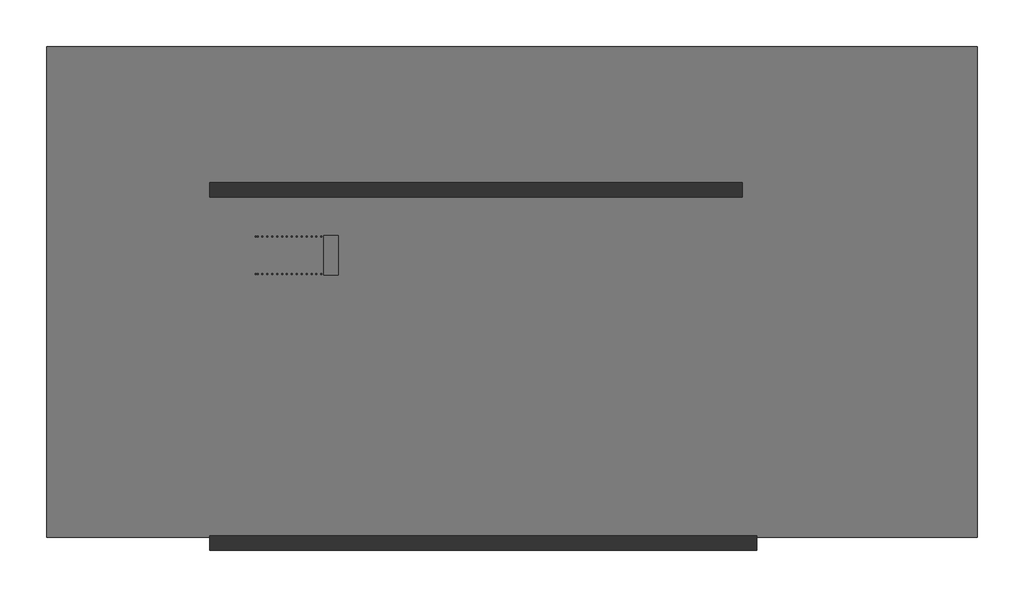
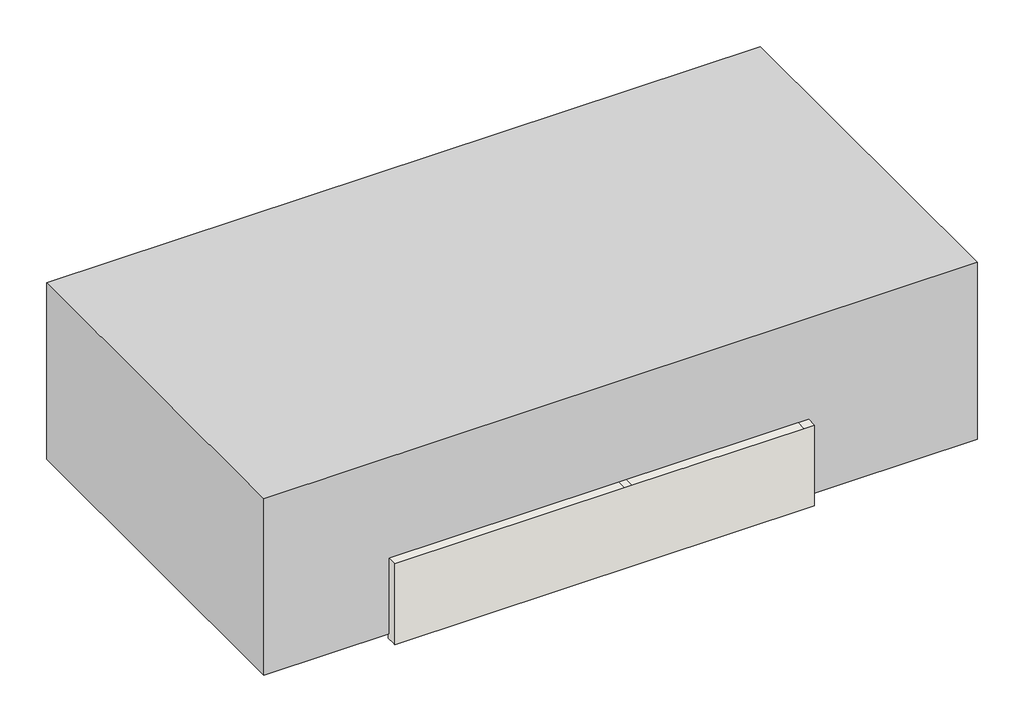
# One storey: 2 railings, 2 walls, 1 proxy, 1 slab, 1 stair flight.
"""IFC4 building model written with IfcOpenShell, lengths in millimetres."""

from ifc_helpers import new_model, si_unit, frame, origin, origin_with_axes, place, context, project, spatial, polyline, outline, extrude, faceted_brep, element, save

model = new_model("IFC4")

# Units and contexts
model_context = context("Model", 3, world=origin())
ifc_project = project(units=[si_unit("LENGTHUNIT", "METRE", prefix="MILLI")], contexts=[model_context])

# Site, building, storey
site = spatial("IfcSite", under=ifc_project)
building = spatial("IfcBuilding", under=site)
storey = spatial("IfcBuildingStorey", under=building, Elevation=0.0)

# Proxy
placement = place(None, origin())
element("IfcBuildingElementProxy", 1, Name="Mass 1 : Mass 1", ObjectType="Mass 1 : Mass 1", at=placement, inside=storey, context=model_context, shape_type="SweptSolid", body=[
    extrude(outline(polyline([(15350.0, 3000.0), (-8350.0, 3000.0), (-8350.0, 15500.0), (15350.0, 15500.0), (15350.0, 3000.0)])), origin_with_axes(), (0.0, 0.0, 1.0), 6200.0),
])

# Railings
element("IfcRailing", 2, ObjectType="1100mm", at=placement, inside=storey, context=model_context, shape_type="SweptSolid", body=[
    extrude(outline(polyline([(1263.1578947, -3041.5388296), (1203.4517816, -3041.5388296), (4140.2938869, 1458.4611704), (4200.0, 1458.4611704), (1263.1578947, -3041.5388296)])), frame((0.0, 9677.9821587, 0.0), z_axis=(0.0, 1.0, 0.0), x_axis=(0.0, 0.0, 1.0)), (0.0, 0.0, 1.0), 50.0),
    extrude(outline(polyline([(4091.3465185, 1383.4611704), (2936.8421053, 1383.4611704), (2936.8421053, 1408.4611704), (4107.6623079, 1408.4611704), (4091.3465185, 1383.4611704)])), frame((0.0, 9690.4821587, 0.0), z_axis=(0.0, 1.0, 0.0), x_axis=(0.0, 0.0, 1.0)), (0.0, 0.0, 1.0), 25.0),
    extrude(outline(polyline([(4009.7675711, 1258.4611704), (2936.8421053, 1258.4611704), (2936.8421053, 1283.4611704), (4026.0833606, 1283.4611704), (4009.7675711, 1258.4611704)])), frame((0.0, 9690.4821587, 0.0), z_axis=(0.0, 1.0, 0.0), x_axis=(0.0, 0.0, 1.0)), (0.0, 0.0, 1.0), 25.0),
    extrude(outline(polyline([(3928.1886237, 1133.4611704), (2773.6842105, 1133.4611704), (2773.6842105, 1158.4611704), (3944.5044132, 1158.4611704), (3928.1886237, 1133.4611704)])), frame((0.0, 9690.4821587, 0.0), z_axis=(0.0, 1.0, 0.0), x_axis=(0.0, 0.0, 1.0)), (0.0, 0.0, 1.0), 25.0),
    extrude(outline(polyline([(3846.6096763, 1008.4611704), (2773.6842105, 1008.4611704), (2773.6842105, 1033.4611704), (3862.9254658, 1033.4611704), (3846.6096763, 1008.4611704)])), frame((0.0, 9690.4821587, 0.0), z_axis=(0.0, 1.0, 0.0), x_axis=(0.0, 0.0, 1.0)), (0.0, 0.0, 1.0), 25.0),
    extrude(outline(polyline([(3765.030729, 883.4611704), (2610.5263158, 883.4611704), (2610.5263158, 908.4611704), (3781.3465185, 908.4611704), (3765.030729, 883.4611704)])), frame((0.0, 9690.4821587, 0.0), z_axis=(0.0, 1.0, 0.0), x_axis=(0.0, 0.0, 1.0)), (0.0, 0.0, 1.0), 25.0),
    extrude(outline(polyline([(3683.4517816, 758.4611704), (2610.5263158, 758.4611704), (2610.5263158, 783.4611704), (3699.7675711, 783.4611704), (3683.4517816, 758.4611704)])), frame((0.0, 9690.4821587, 0.0), z_axis=(0.0, 1.0, 0.0), x_axis=(0.0, 0.0, 1.0)), (0.0, 0.0, 1.0), 25.0),
    extrude(outline(polyline([(3601.8728342, 633.4611704), (2447.3684211, 633.4611704), (2447.3684211, 658.4611704), (3618.1886237, 658.4611704), (3601.8728342, 633.4611704)])), frame((0.0, 9690.4821587, 0.0), z_axis=(0.0, 1.0, 0.0), x_axis=(0.0, 0.0, 1.0)), (0.0, 0.0, 1.0), 25.0),
    extrude(outline(polyline([(3520.2938869, 508.4611704), (2447.3684211, 508.4611704), (2447.3684211, 533.4611704), (3536.6096763, 533.4611704), (3520.2938869, 508.4611704)])), frame((0.0, 9690.4821587, 0.0), z_axis=(0.0, 1.0, 0.0), x_axis=(0.0, 0.0, 1.0)), (0.0, 0.0, 1.0), 25.0),
    extrude(outline(polyline([(3438.7149395, 383.4611704), (2284.2105263, 383.4611704), (2284.2105263, 408.4611704), (3455.030729, 408.4611704), (3438.7149395, 383.4611704)])), frame((0.0, 9690.4821587, 0.0), z_axis=(0.0, 1.0, 0.0), x_axis=(0.0, 0.0, 1.0)), (0.0, 0.0, 1.0), 25.0),
    extrude(outline(polyline([(3357.1359921, 258.4611704), (2284.2105263, 258.4611704), (2284.2105263, 283.4611704), (3373.4517816, 283.4611704), (3357.1359921, 258.4611704)])), frame((0.0, 9690.4821587, 0.0), z_axis=(0.0, 1.0, 0.0), x_axis=(0.0, 0.0, 1.0)), (0.0, 0.0, 1.0), 25.0),
    extrude(outline(polyline([(3275.5570448, 133.4611704), (2121.0526316, 133.4611704), (2121.0526316, 158.4611704), (3291.8728342, 158.4611704), (3275.5570448, 133.4611704)])), frame((0.0, 9690.4821587, 0.0), z_axis=(0.0, 1.0, 0.0), x_axis=(0.0, 0.0, 1.0)), (0.0, 0.0, 1.0), 25.0),
    extrude(outline(polyline([(3193.9780974, 8.4611704), (2121.0526316, 8.4611704), (2121.0526316, 33.4611704), (3210.2938869, 33.4611704), (3193.9780974, 8.4611704)])), frame((0.0, 9690.4821587, 0.0), z_axis=(0.0, 1.0, 0.0), x_axis=(0.0, 0.0, 1.0)), (0.0, 0.0, 1.0), 25.0),
    extrude(outline(polyline([(3112.39915, -116.5388296), (1957.8947368, -116.5388296), (1957.8947368, -91.5388296), (3128.7149395, -91.5388296), (3112.39915, -116.5388296)])), frame((0.0, 9690.4821587, 0.0), z_axis=(0.0, 1.0, 0.0), x_axis=(0.0, 0.0, 1.0)), (0.0, 0.0, 1.0), 25.0),
    extrude(outline(polyline([(3030.8202027, -241.5388296), (1957.8947368, -241.5388296), (1957.8947368, -216.5388296), (3047.1359921, -216.5388296), (3030.8202027, -241.5388296)])), frame((0.0, 9690.4821587, 0.0), z_axis=(0.0, 1.0, 0.0), x_axis=(0.0, 0.0, 1.0)), (0.0, 0.0, 1.0), 25.0),
    extrude(outline(polyline([(2949.2412553, -366.5388296), (1794.7368421, -366.5388296), (1794.7368421, -341.5388296), (2965.5570448, -341.5388296), (2949.2412553, -366.5388296)])), frame((0.0, 9690.4821587, 0.0), z_axis=(0.0, 1.0, 0.0), x_axis=(0.0, 0.0, 1.0)), (0.0, 0.0, 1.0), 25.0),
    extrude(outline(polyline([(2867.6623079, -491.5388296), (1794.7368421, -491.5388296), (1794.7368421, -466.5388296), (2883.9780974, -466.5388296), (2867.6623079, -491.5388296)])), frame((0.0, 9690.4821587, 0.0), z_axis=(0.0, 1.0, 0.0), x_axis=(0.0, 0.0, 1.0)), (0.0, 0.0, 1.0), 25.0),
    extrude(outline(polyline([(2786.0833606, -616.5388296), (1631.5789474, -616.5388296), (1631.5789474, -591.5388296), (2802.39915, -591.5388296), (2786.0833606, -616.5388296)])), frame((0.0, 9690.4821587, 0.0), z_axis=(0.0, 1.0, 0.0), x_axis=(0.0, 0.0, 1.0)), (0.0, 0.0, 1.0), 25.0),
    extrude(outline(polyline([(2704.5044132, -741.5388296), (1631.5789474, -741.5388296), (1631.5789474, -716.5388296), (2720.8202027, -716.5388296), (2704.5044132, -741.5388296)])), frame((0.0, 9690.4821587, 0.0), z_axis=(0.0, 1.0, 0.0), x_axis=(0.0, 0.0, 1.0)), (0.0, 0.0, 1.0), 25.0),
    extrude(outline(polyline([(2622.9254658, -866.5388296), (1468.4210526, -866.5388296), (1468.4210526, -841.5388296), (2639.2412553, -841.5388296), (2622.9254658, -866.5388296)])), frame((0.0, 9690.4821587, 0.0), z_axis=(0.0, 1.0, 0.0), x_axis=(0.0, 0.0, 1.0)), (0.0, 0.0, 1.0), 25.0),
    extrude(outline(polyline([(2541.3465185, -991.5388296), (1468.4210526, -991.5388296), (1468.4210526, -966.5388296), (2557.6623079, -966.5388296), (2541.3465185, -991.5388296)])), frame((0.0, 9690.4821587, 0.0), z_axis=(0.0, 1.0, 0.0), x_axis=(0.0, 0.0, 1.0)), (0.0, 0.0, 1.0), 25.0),
    extrude(outline(polyline([(2459.7675711, -1116.5388296), (1305.2631579, -1116.5388296), (1305.2631579, -1091.5388296), (2476.0833606, -1091.5388296), (2459.7675711, -1116.5388296)])), frame((0.0, 9690.4821587, 0.0), z_axis=(0.0, 1.0, 0.0), x_axis=(0.0, 0.0, 1.0)), (0.0, 0.0, 1.0), 25.0),
    extrude(outline(polyline([(2378.1886237, -1241.5388296), (1305.2631579, -1241.5388296), (1305.2631579, -1216.5388296), (2394.5044132, -1216.5388296), (2378.1886237, -1241.5388296)])), frame((0.0, 9690.4821587, 0.0), z_axis=(0.0, 1.0, 0.0), x_axis=(0.0, 0.0, 1.0)), (0.0, 0.0, 1.0), 25.0),
    extrude(outline(polyline([(2296.6096763, -1366.5388296), (1142.1052632, -1366.5388296), (1142.1052632, -1341.5388296), (2312.9254658, -1341.5388296), (2296.6096763, -1366.5388296)])), frame((0.0, 9690.4821587, 0.0), z_axis=(0.0, 1.0, 0.0), x_axis=(0.0, 0.0, 1.0)), (0.0, 0.0, 1.0), 25.0),
    extrude(outline(polyline([(2215.030729, -1491.5388296), (1142.1052632, -1491.5388296), (1142.1052632, -1466.5388296), (2231.3465185, -1466.5388296), (2215.030729, -1491.5388296)])), frame((0.0, 9690.4821587, 0.0), z_axis=(0.0, 1.0, 0.0), x_axis=(0.0, 0.0, 1.0)), (0.0, 0.0, 1.0), 25.0),
    extrude(outline(polyline([(2133.4517816, -1616.5388296), (978.9473684, -1616.5388296), (978.9473684, -1591.5388296), (2149.7675711, -1591.5388296), (2133.4517816, -1616.5388296)])), frame((0.0, 9690.4821587, 0.0), z_axis=(0.0, 1.0, 0.0), x_axis=(0.0, 0.0, 1.0)), (0.0, 0.0, 1.0), 25.0),
    extrude(outline(polyline([(2051.8728342, -1741.5388296), (978.9473684, -1741.5388296), (978.9473684, -1716.5388296), (2068.1886237, -1716.5388296), (2051.8728342, -1741.5388296)])), frame((0.0, 9690.4821587, 0.0), z_axis=(0.0, 1.0, 0.0), x_axis=(0.0, 0.0, 1.0)), (0.0, 0.0, 1.0), 25.0),
    extrude(outline(polyline([(1970.2938869, -1866.5388296), (815.7894737, -1866.5388296), (815.7894737, -1841.5388296), (1986.6096763, -1841.5388296), (1970.2938869, -1866.5388296)])), frame((0.0, 9690.4821587, 0.0), z_axis=(0.0, 1.0, 0.0), x_axis=(0.0, 0.0, 1.0)), (0.0, 0.0, 1.0), 25.0),
    extrude(outline(polyline([(1888.7149395, -1991.5388296), (815.7894737, -1991.5388296), (815.7894737, -1966.5388296), (1905.030729, -1966.5388296), (1888.7149395, -1991.5388296)])), frame((0.0, 9690.4821587, 0.0), z_axis=(0.0, 1.0, 0.0), x_axis=(0.0, 0.0, 1.0)), (0.0, 0.0, 1.0), 25.0),
    extrude(outline(polyline([(1807.1359921, -2116.5388296), (652.6315789, -2116.5388296), (652.6315789, -2091.5388296), (1823.4517816, -2091.5388296), (1807.1359921, -2116.5388296)])), frame((0.0, 9690.4821587, 0.0), z_axis=(0.0, 1.0, 0.0), x_axis=(0.0, 0.0, 1.0)), (0.0, 0.0, 1.0), 25.0),
    extrude(outline(polyline([(1725.5570448, -2241.5388296), (652.6315789, -2241.5388296), (652.6315789, -2216.5388296), (1741.8728342, -2216.5388296), (1725.5570448, -2241.5388296)])), frame((0.0, 9690.4821587, 0.0), z_axis=(0.0, 1.0, 0.0), x_axis=(0.0, 0.0, 1.0)), (0.0, 0.0, 1.0), 25.0),
    extrude(outline(polyline([(1643.9780974, -2366.5388296), (489.4736842, -2366.5388296), (489.4736842, -2341.5388296), (1660.2938869, -2341.5388296), (1643.9780974, -2366.5388296)])), frame((0.0, 9690.4821587, 0.0), z_axis=(0.0, 1.0, 0.0), x_axis=(0.0, 0.0, 1.0)), (0.0, 0.0, 1.0), 25.0),
    extrude(outline(polyline([(1562.39915, -2491.5388296), (489.4736842, -2491.5388296), (489.4736842, -2466.5388296), (1578.7149395, -2466.5388296), (1562.39915, -2491.5388296)])), frame((0.0, 9690.4821587, 0.0), z_axis=(0.0, 1.0, 0.0), x_axis=(0.0, 0.0, 1.0)), (0.0, 0.0, 1.0), 25.0),
    extrude(outline(polyline([(1480.8202027, -2616.5388296), (326.3157895, -2616.5388296), (326.3157895, -2591.5388296), (1497.1359921, -2591.5388296), (1480.8202027, -2616.5388296)])), frame((0.0, 9690.4821587, 0.0), z_axis=(0.0, 1.0, 0.0), x_axis=(0.0, 0.0, 1.0)), (0.0, 0.0, 1.0), 25.0),
    extrude(outline(polyline([(1399.2412553, -2741.5388296), (326.3157895, -2741.5388296), (326.3157895, -2716.5388296), (1415.5570448, -2716.5388296), (1399.2412553, -2741.5388296)])), frame((0.0, 9690.4821587, 0.0), z_axis=(0.0, 1.0, 0.0), x_axis=(0.0, 0.0, 1.0)), (0.0, 0.0, 1.0), 25.0),
    extrude(outline(polyline([(1317.6623079, -2866.5388296), (163.1578947, -2866.5388296), (163.1578947, -2841.5388296), (1333.9780974, -2841.5388296), (1317.6623079, -2866.5388296)])), frame((0.0, 9690.4821587, 0.0), z_axis=(0.0, 1.0, 0.0), x_axis=(0.0, 0.0, 1.0)), (0.0, 0.0, 1.0), 25.0),
    extrude(outline(polyline([(1236.0833606, -2991.5388296), (163.1578947, -2991.5388296), (163.1578947, -2966.5388296), (1252.39915, -2966.5388296), (1236.0833606, -2991.5388296)])), frame((0.0, 9690.4821587, 0.0), z_axis=(0.0, 1.0, 0.0), x_axis=(0.0, 0.0, 1.0)), (0.0, 0.0, 1.0), 25.0),
    extrude(outline(polyline([(4123.9780974, 1433.4611704), (2936.8421053, 1433.4611704), (2936.8421053, 1458.4611704), (4140.2938869, 1458.4611704), (4123.9780974, 1433.4611704)])), frame((0.0, 9690.4821587, 0.0), z_axis=(0.0, 1.0, 0.0), x_axis=(0.0, 0.0, 1.0)), (0.0, 0.0, 1.0), 25.0),
    extrude(outline(polyline([(1203.4517816, -3041.5388296), (163.1578947, -3041.5388296), (163.1578947, -3016.5388296), (1219.7675711, -3016.5388296), (1203.4517816, -3041.5388296)])), frame((0.0, 9690.4821587, 0.0), z_axis=(0.0, 1.0, 0.0), x_axis=(0.0, 0.0, 1.0)), (0.0, 0.0, 1.0), 25.0),
])
element("IfcRailing", 3, ObjectType="1100mm", at=placement, inside=storey, context=model_context, shape_type="SweptSolid", body=[
    extrude(outline(polyline([(1263.1578947, -3041.5388296), (1203.4517816, -3041.5388296), (4140.2938869, 1458.4611704), (4200.0, 1458.4611704), (1263.1578947, -3041.5388296)])), frame((0.0, 10627.1821587, 0.0), z_axis=(0.0, 1.0, 0.0), x_axis=(0.0, 0.0, 1.0)), (0.0, 0.0, 1.0), 50.0),
    extrude(outline(polyline([(2936.8421053, 1383.4611704), (2936.8421053, 1408.4611704), (4107.6623079, 1408.4611704), (4091.3465185, 1383.4611704), (2936.8421053, 1383.4611704)])), frame((0.0, 10639.6821587, 0.0), z_axis=(0.0, 1.0, 0.0), x_axis=(0.0, 0.0, 1.0)), (0.0, 0.0, 1.0), 25.0),
    extrude(outline(polyline([(2936.8421053, 1258.4611704), (2936.8421053, 1283.4611704), (4026.0833606, 1283.4611704), (4009.7675711, 1258.4611704), (2936.8421053, 1258.4611704)])), frame((0.0, 10639.6821587, 0.0), z_axis=(0.0, 1.0, 0.0), x_axis=(0.0, 0.0, 1.0)), (0.0, 0.0, 1.0), 25.0),
    extrude(outline(polyline([(2773.6842105, 1133.4611704), (2773.6842105, 1158.4611704), (3944.5044132, 1158.4611704), (3928.1886237, 1133.4611704), (2773.6842105, 1133.4611704)])), frame((0.0, 10639.6821587, 0.0), z_axis=(0.0, 1.0, 0.0), x_axis=(0.0, 0.0, 1.0)), (0.0, 0.0, 1.0), 25.0),
    extrude(outline(polyline([(2773.6842105, 1008.4611704), (2773.6842105, 1033.4611704), (3862.9254658, 1033.4611704), (3846.6096763, 1008.4611704), (2773.6842105, 1008.4611704)])), frame((0.0, 10639.6821587, 0.0), z_axis=(0.0, 1.0, 0.0), x_axis=(0.0, 0.0, 1.0)), (0.0, 0.0, 1.0), 25.0),
    extrude(outline(polyline([(2610.5263158, 883.4611704), (2610.5263158, 908.4611704), (3781.3465185, 908.4611704), (3765.030729, 883.4611704), (2610.5263158, 883.4611704)])), frame((0.0, 10639.6821587, 0.0), z_axis=(0.0, 1.0, 0.0), x_axis=(0.0, 0.0, 1.0)), (0.0, 0.0, 1.0), 25.0),
    extrude(outline(polyline([(2610.5263158, 758.4611704), (2610.5263158, 783.4611704), (3699.7675711, 783.4611704), (3683.4517816, 758.4611704), (2610.5263158, 758.4611704)])), frame((0.0, 10639.6821587, 0.0), z_axis=(0.0, 1.0, 0.0), x_axis=(0.0, 0.0, 1.0)), (0.0, 0.0, 1.0), 25.0),
    extrude(outline(polyline([(2447.3684211, 633.4611704), (2447.3684211, 658.4611704), (3618.1886237, 658.4611704), (3601.8728342, 633.4611704), (2447.3684211, 633.4611704)])), frame((0.0, 10639.6821587, 0.0), z_axis=(0.0, 1.0, 0.0), x_axis=(0.0, 0.0, 1.0)), (0.0, 0.0, 1.0), 25.0),
    extrude(outline(polyline([(2447.3684211, 508.4611704), (2447.3684211, 533.4611704), (3536.6096763, 533.4611704), (3520.2938869, 508.4611704), (2447.3684211, 508.4611704)])), frame((0.0, 10639.6821587, 0.0), z_axis=(0.0, 1.0, 0.0), x_axis=(0.0, 0.0, 1.0)), (0.0, 0.0, 1.0), 25.0),
    extrude(outline(polyline([(2284.2105263, 383.4611704), (2284.2105263, 408.4611704), (3455.030729, 408.4611704), (3438.7149395, 383.4611704), (2284.2105263, 383.4611704)])), frame((0.0, 10639.6821587, 0.0), z_axis=(0.0, 1.0, 0.0), x_axis=(0.0, 0.0, 1.0)), (0.0, 0.0, 1.0), 25.0),
    extrude(outline(polyline([(2284.2105263, 258.4611704), (2284.2105263, 283.4611704), (3373.4517816, 283.4611704), (3357.1359921, 258.4611704), (2284.2105263, 258.4611704)])), frame((0.0, 10639.6821587, 0.0), z_axis=(0.0, 1.0, 0.0), x_axis=(0.0, 0.0, 1.0)), (0.0, 0.0, 1.0), 25.0),
    extrude(outline(polyline([(2121.0526316, 133.4611704), (2121.0526316, 158.4611704), (3291.8728342, 158.4611704), (3275.5570448, 133.4611704), (2121.0526316, 133.4611704)])), frame((0.0, 10639.6821587, 0.0), z_axis=(0.0, 1.0, 0.0), x_axis=(0.0, 0.0, 1.0)), (0.0, 0.0, 1.0), 25.0),
    extrude(outline(polyline([(2121.0526316, 8.4611704), (2121.0526316, 33.4611704), (3210.2938869, 33.4611704), (3193.9780974, 8.4611704), (2121.0526316, 8.4611704)])), frame((0.0, 10639.6821587, 0.0), z_axis=(0.0, 1.0, 0.0), x_axis=(0.0, 0.0, 1.0)), (0.0, 0.0, 1.0), 25.0),
    extrude(outline(polyline([(1957.8947368, -116.5388296), (1957.8947368, -91.5388296), (3128.7149395, -91.5388296), (3112.39915, -116.5388296), (1957.8947368, -116.5388296)])), frame((0.0, 10639.6821587, 0.0), z_axis=(0.0, 1.0, 0.0), x_axis=(0.0, 0.0, 1.0)), (0.0, 0.0, 1.0), 25.0),
    extrude(outline(polyline([(1957.8947368, -241.5388296), (1957.8947368, -216.5388296), (3047.1359921, -216.5388296), (3030.8202027, -241.5388296), (1957.8947368, -241.5388296)])), frame((0.0, 10639.6821587, 0.0), z_axis=(0.0, 1.0, 0.0), x_axis=(0.0, 0.0, 1.0)), (0.0, 0.0, 1.0), 25.0),
    extrude(outline(polyline([(1794.7368421, -366.5388296), (1794.7368421, -341.5388296), (2965.5570448, -341.5388296), (2949.2412553, -366.5388296), (1794.7368421, -366.5388296)])), frame((0.0, 10639.6821587, 0.0), z_axis=(0.0, 1.0, 0.0), x_axis=(0.0, 0.0, 1.0)), (0.0, 0.0, 1.0), 25.0),
    extrude(outline(polyline([(1794.7368421, -491.5388296), (1794.7368421, -466.5388296), (2883.9780974, -466.5388296), (2867.6623079, -491.5388296), (1794.7368421, -491.5388296)])), frame((0.0, 10639.6821587, 0.0), z_axis=(0.0, 1.0, 0.0), x_axis=(0.0, 0.0, 1.0)), (0.0, 0.0, 1.0), 25.0),
    extrude(outline(polyline([(1631.5789474, -616.5388296), (1631.5789474, -591.5388296), (2802.39915, -591.5388296), (2786.0833606, -616.5388296), (1631.5789474, -616.5388296)])), frame((0.0, 10639.6821587, 0.0), z_axis=(0.0, 1.0, 0.0), x_axis=(0.0, 0.0, 1.0)), (0.0, 0.0, 1.0), 25.0),
    extrude(outline(polyline([(1631.5789474, -741.5388296), (1631.5789474, -716.5388296), (2720.8202027, -716.5388296), (2704.5044132, -741.5388296), (1631.5789474, -741.5388296)])), frame((0.0, 10639.6821587, 0.0), z_axis=(0.0, 1.0, 0.0), x_axis=(0.0, 0.0, 1.0)), (0.0, 0.0, 1.0), 25.0),
    extrude(outline(polyline([(1468.4210526, -866.5388296), (1468.4210526, -841.5388296), (2639.2412553, -841.5388296), (2622.9254658, -866.5388296), (1468.4210526, -866.5388296)])), frame((0.0, 10639.6821587, 0.0), z_axis=(0.0, 1.0, 0.0), x_axis=(0.0, 0.0, 1.0)), (0.0, 0.0, 1.0), 25.0),
    extrude(outline(polyline([(1468.4210526, -991.5388296), (1468.4210526, -966.5388296), (2557.6623079, -966.5388296), (2541.3465185, -991.5388296), (1468.4210526, -991.5388296)])), frame((0.0, 10639.6821587, 0.0), z_axis=(0.0, 1.0, 0.0), x_axis=(0.0, 0.0, 1.0)), (0.0, 0.0, 1.0), 25.0),
    extrude(outline(polyline([(1305.2631579, -1116.5388296), (1305.2631579, -1091.5388296), (2476.0833606, -1091.5388296), (2459.7675711, -1116.5388296), (1305.2631579, -1116.5388296)])), frame((0.0, 10639.6821587, 0.0), z_axis=(0.0, 1.0, 0.0), x_axis=(0.0, 0.0, 1.0)), (0.0, 0.0, 1.0), 25.0),
    extrude(outline(polyline([(1305.2631579, -1241.5388296), (1305.2631579, -1216.5388296), (2394.5044132, -1216.5388296), (2378.1886237, -1241.5388296), (1305.2631579, -1241.5388296)])), frame((0.0, 10639.6821587, 0.0), z_axis=(0.0, 1.0, 0.0), x_axis=(0.0, 0.0, 1.0)), (0.0, 0.0, 1.0), 25.0),
    extrude(outline(polyline([(1142.1052632, -1366.5388296), (1142.1052632, -1341.5388296), (2312.9254658, -1341.5388296), (2296.6096763, -1366.5388296), (1142.1052632, -1366.5388296)])), frame((0.0, 10639.6821587, 0.0), z_axis=(0.0, 1.0, 0.0), x_axis=(0.0, 0.0, 1.0)), (0.0, 0.0, 1.0), 25.0),
    extrude(outline(polyline([(1142.1052632, -1491.5388296), (1142.1052632, -1466.5388296), (2231.3465185, -1466.5388296), (2215.030729, -1491.5388296), (1142.1052632, -1491.5388296)])), frame((0.0, 10639.6821587, 0.0), z_axis=(0.0, 1.0, 0.0), x_axis=(0.0, 0.0, 1.0)), (0.0, 0.0, 1.0), 25.0),
    extrude(outline(polyline([(978.9473684, -1616.5388296), (978.9473684, -1591.5388296), (2149.7675711, -1591.5388296), (2133.4517816, -1616.5388296), (978.9473684, -1616.5388296)])), frame((0.0, 10639.6821587, 0.0), z_axis=(0.0, 1.0, 0.0), x_axis=(0.0, 0.0, 1.0)), (0.0, 0.0, 1.0), 25.0),
    extrude(outline(polyline([(978.9473684, -1741.5388296), (978.9473684, -1716.5388296), (2068.1886237, -1716.5388296), (2051.8728342, -1741.5388296), (978.9473684, -1741.5388296)])), frame((0.0, 10639.6821587, 0.0), z_axis=(0.0, 1.0, 0.0), x_axis=(0.0, 0.0, 1.0)), (0.0, 0.0, 1.0), 25.0),
    extrude(outline(polyline([(815.7894737, -1866.5388296), (815.7894737, -1841.5388296), (1986.6096763, -1841.5388296), (1970.2938869, -1866.5388296), (815.7894737, -1866.5388296)])), frame((0.0, 10639.6821587, 0.0), z_axis=(0.0, 1.0, 0.0), x_axis=(0.0, 0.0, 1.0)), (0.0, 0.0, 1.0), 25.0),
    extrude(outline(polyline([(815.7894737, -1991.5388296), (815.7894737, -1966.5388296), (1905.030729, -1966.5388296), (1888.7149395, -1991.5388296), (815.7894737, -1991.5388296)])), frame((0.0, 10639.6821587, 0.0), z_axis=(0.0, 1.0, 0.0), x_axis=(0.0, 0.0, 1.0)), (0.0, 0.0, 1.0), 25.0),
    extrude(outline(polyline([(652.6315789, -2116.5388296), (652.6315789, -2091.5388296), (1823.4517816, -2091.5388296), (1807.1359921, -2116.5388296), (652.6315789, -2116.5388296)])), frame((0.0, 10639.6821587, 0.0), z_axis=(0.0, 1.0, 0.0), x_axis=(0.0, 0.0, 1.0)), (0.0, 0.0, 1.0), 25.0),
    extrude(outline(polyline([(652.6315789, -2241.5388296), (652.6315789, -2216.5388296), (1741.8728342, -2216.5388296), (1725.5570448, -2241.5388296), (652.6315789, -2241.5388296)])), frame((0.0, 10639.6821587, 0.0), z_axis=(0.0, 1.0, 0.0), x_axis=(0.0, 0.0, 1.0)), (0.0, 0.0, 1.0), 25.0),
    extrude(outline(polyline([(489.4736842, -2366.5388296), (489.4736842, -2341.5388296), (1660.2938869, -2341.5388296), (1643.9780974, -2366.5388296), (489.4736842, -2366.5388296)])), frame((0.0, 10639.6821587, 0.0), z_axis=(0.0, 1.0, 0.0), x_axis=(0.0, 0.0, 1.0)), (0.0, 0.0, 1.0), 25.0),
    extrude(outline(polyline([(489.4736842, -2491.5388296), (489.4736842, -2466.5388296), (1578.7149395, -2466.5388296), (1562.39915, -2491.5388296), (489.4736842, -2491.5388296)])), frame((0.0, 10639.6821587, 0.0), z_axis=(0.0, 1.0, 0.0), x_axis=(0.0, 0.0, 1.0)), (0.0, 0.0, 1.0), 25.0),
    extrude(outline(polyline([(326.3157895, -2616.5388296), (326.3157895, -2591.5388296), (1497.1359921, -2591.5388296), (1480.8202027, -2616.5388296), (326.3157895, -2616.5388296)])), frame((0.0, 10639.6821587, 0.0), z_axis=(0.0, 1.0, 0.0), x_axis=(0.0, 0.0, 1.0)), (0.0, 0.0, 1.0), 25.0),
    extrude(outline(polyline([(326.3157895, -2741.5388296), (326.3157895, -2716.5388296), (1415.5570448, -2716.5388296), (1399.2412553, -2741.5388296), (326.3157895, -2741.5388296)])), frame((0.0, 10639.6821587, 0.0), z_axis=(0.0, 1.0, 0.0), x_axis=(0.0, 0.0, 1.0)), (0.0, 0.0, 1.0), 25.0),
    extrude(outline(polyline([(163.1578947, -2866.5388296), (163.1578947, -2841.5388296), (1333.9780974, -2841.5388296), (1317.6623079, -2866.5388296), (163.1578947, -2866.5388296)])), frame((0.0, 10639.6821587, 0.0), z_axis=(0.0, 1.0, 0.0), x_axis=(0.0, 0.0, 1.0)), (0.0, 0.0, 1.0), 25.0),
    extrude(outline(polyline([(163.1578947, -2991.5388296), (163.1578947, -2966.5388296), (1252.39915, -2966.5388296), (1236.0833606, -2991.5388296), (163.1578947, -2991.5388296)])), frame((0.0, 10639.6821587, 0.0), z_axis=(0.0, 1.0, 0.0), x_axis=(0.0, 0.0, 1.0)), (0.0, 0.0, 1.0), 25.0),
    extrude(outline(polyline([(2936.8421053, 1433.4611704), (2936.8421053, 1458.4611704), (4140.2938869, 1458.4611704), (4123.9780974, 1433.4611704), (2936.8421053, 1433.4611704)])), frame((0.0, 10639.6821587, 0.0), z_axis=(0.0, 1.0, 0.0), x_axis=(0.0, 0.0, 1.0)), (0.0, 0.0, 1.0), 25.0),
    extrude(outline(polyline([(163.1578947, -3041.5388296), (163.1578947, -3016.5388296), (1219.7675711, -3016.5388296), (1203.4517816, -3041.5388296), (163.1578947, -3041.5388296)])), frame((0.0, 10639.6821587, 0.0), z_axis=(0.0, 1.0, 0.0), x_axis=(0.0, 0.0, 1.0)), (0.0, 0.0, 1.0), 25.0),
])

# Slab
element("IfcSlab", 4, ObjectType="Floor_17", at=placement, inside=storey, context=model_context, shape_type="SweptSolid", body=[
    extrude(outline(polyline([(3476.1680841, 11664.6977103), (3476.1680841, 7424.6977103), (-4196.2748084, 7424.6977103), (-4196.2748084, 11664.6977103), (3476.1680841, 11664.6977103)])), frame((0.0, 0.0, -170.0), z_axis=(0.0, 0.0, 1.0), x_axis=(1.0, 0.0, 0.0)), (0.0, 0.0, 1.0), 170.0),
])

# Stair flight
element("IfcStairFlight", 5, ObjectType="1mm_Tread-150mm_Depth", at=placement, inside=storey, context=model_context, shape_type="SolidModel", body=[
    faceted_brep([(-2791.5388296, 10677.5821587, 162.1578947), (-3041.5388296, 10677.5821587, 162.1578947), (-3041.5388296, 9677.5821587, 162.1578947), (-2791.5388296, 9677.5821587, 162.1578947), (-2791.5388296, 10677.5821587, 0.0), (-3041.5388296, 10677.5821587, 0.0), (-3041.5388296, 9677.5821587, 0.0), (-2791.5388296, 9677.5821587, 0.0), (-2541.5388296, 10677.5821587, 325.3157895), (-2791.5388296, 10677.5821587, 325.3157895), (-2791.5388296, 9677.5821587, 325.3157895), (-2541.5388296, 9677.5821587, 325.3157895), (-2541.5388296, 10677.5821587, 146.1974501), (-2765.5510515, 10677.5821587, 0.0), (-2765.5510515, 9677.5821587, 0.0), (-2541.5388296, 9677.5821587, 146.1974501), (-2291.5388296, 10677.5821587, 488.4736842), (-2541.5388296, 10677.5821587, 488.4736842), (-2541.5388296, 9677.5821587, 488.4736842), (-2291.5388296, 9677.5821587, 488.4736842), (-2291.5388296, 10677.5821587, 309.3553448), (-2291.5388296, 9677.5821587, 309.3553448), (-2041.5388296, 10677.5821587, 651.6315789), (-2291.5388296, 10677.5821587, 651.6315789), (-2291.5388296, 9677.5821587, 651.6315789), (-2041.5388296, 9677.5821587, 651.6315789), (-2041.5388296, 10677.5821587, 472.5132396), (-2041.5388296, 9677.5821587, 472.5132396), (-1791.5388296, 10677.5821587, 814.7894737), (-2041.5388296, 10677.5821587, 814.7894737), (-2041.5388296, 9677.5821587, 814.7894737), (-1791.5388296, 9677.5821587, 814.7894737), (-1791.5388296, 10677.5821587, 635.6711343), (-1791.5388296, 9677.5821587, 635.6711343), (-1541.5388296, 10677.5821587, 977.9473684), (-1791.5388296, 10677.5821587, 977.9473684), (-1791.5388296, 9677.5821587, 977.9473684), (-1541.5388296, 9677.5821587, 977.9473684), (-1541.5388296, 10677.5821587, 798.829029), (-1541.5388296, 9677.5821587, 798.829029), (-1291.5388296, 10677.5821587, 1141.1052632), (-1541.5388296, 10677.5821587, 1141.1052632), (-1541.5388296, 9677.5821587, 1141.1052632), (-1291.5388296, 9677.5821587, 1141.1052632), (-1291.5388296, 10677.5821587, 961.9869238), (-1291.5388296, 9677.5821587, 961.9869238), (-1041.5388296, 10677.5821587, 1304.2631579), (-1291.5388296, 10677.5821587, 1304.2631579), (-1291.5388296, 9677.5821587, 1304.2631579), (-1041.5388296, 9677.5821587, 1304.2631579), (-1041.5388296, 10677.5821587, 1125.1448185), (-1041.5388296, 9677.5821587, 1125.1448185), (-791.5388296, 10677.5821587, 1467.4210526), (-1041.5388296, 10677.5821587, 1467.4210526), (-1041.5388296, 9677.5821587, 1467.4210526), (-791.5388296, 9677.5821587, 1467.4210526), (-791.5388296, 10677.5821587, 1288.3027133), (-791.5388296, 9677.5821587, 1288.3027133), (-541.5388296, 10677.5821587, 1630.5789474), (-791.5388296, 10677.5821587, 1630.5789474), (-791.5388296, 9677.5821587, 1630.5789474), (-541.5388296, 9677.5821587, 1630.5789474), (-541.5388296, 10677.5821587, 1451.460608), (-541.5388296, 9677.5821587, 1451.460608), (-291.5388296, 10677.5821587, 1793.7368421), (-541.5388296, 10677.5821587, 1793.7368421), (-541.5388296, 9677.5821587, 1793.7368421), (-291.5388296, 9677.5821587, 1793.7368421), (-291.5388296, 10677.5821587, 1614.6185027), (-291.5388296, 9677.5821587, 1614.6185027), (-41.5388296, 10677.5821587, 1956.8947368), (-291.5388296, 10677.5821587, 1956.8947368), (-291.5388296, 9677.5821587, 1956.8947368), (-41.5388296, 9677.5821587, 1956.8947368), (-41.5388296, 10677.5821587, 1777.7763975), (-41.5388296, 9677.5821587, 1777.7763975), (208.4611704, 10677.5821587, 2120.0526316), (-41.5388296, 10677.5821587, 2120.0526316), (-41.5388296, 9677.5821587, 2120.0526316), (208.4611704, 9677.5821587, 2120.0526316), (208.4611704, 10677.5821587, 1940.9342922), (208.4611704, 9677.5821587, 1940.9342922), (458.4611704, 10677.5821587, 2283.2105263), (208.4611704, 10677.5821587, 2283.2105263), (208.4611704, 9677.5821587, 2283.2105263), (458.4611704, 9677.5821587, 2283.2105263), (458.4611704, 10677.5821587, 2104.0921869), (458.4611704, 9677.5821587, 2104.0921869), (708.4611704, 10677.5821587, 2446.3684211), (458.4611704, 10677.5821587, 2446.3684211), (458.4611704, 9677.5821587, 2446.3684211), (708.4611704, 9677.5821587, 2446.3684211), (708.4611704, 10677.5821587, 2267.2500817), (708.4611704, 9677.5821587, 2267.2500817), (958.4611704, 10677.5821587, 2609.5263158), (708.4611704, 10677.5821587, 2609.5263158), (708.4611704, 9677.5821587, 2609.5263158), (958.4611704, 9677.5821587, 2609.5263158), (958.4611704, 10677.5821587, 2430.4079764), (958.4611704, 9677.5821587, 2430.4079764), (1208.4611704, 10677.5821587, 2772.6842105), (958.4611704, 10677.5821587, 2772.6842105), (958.4611704, 9677.5821587, 2772.6842105), (1208.4611704, 9677.5821587, 2772.6842105), (1208.4611704, 10677.5821587, 2593.5658711), (1208.4611704, 9677.5821587, 2593.5658711), (1458.4611704, 10677.5821587, 2935.8421053), (1208.4611704, 10677.5821587, 2935.8421053), (1208.4611704, 9677.5821587, 2935.8421053), (1458.4611704, 9677.5821587, 2935.8421053), (1458.4611704, 10677.5821587, 2756.7237659), (1458.4611704, 9677.5821587, 2756.7237659)], [[[0, 1, 2, 3]], [[1, 0, 4, 5]], [[2, 1, 5, 6]], [[3, 2, 6, 7]], [[8, 9, 10, 11]], [[4, 0, 9, 8, 12, 13]], [[0, 3, 10, 9]], [[3, 7, 14, 15, 11, 10]], [[16, 17, 18, 19]], [[17, 16, 20, 12, 8]], [[8, 11, 18, 17]], [[19, 18, 11, 15, 21]], [[22, 23, 24, 25]], [[23, 22, 26, 20, 16]], [[16, 19, 24, 23]], [[25, 24, 19, 21, 27]], [[28, 29, 30, 31]], [[29, 28, 32, 26, 22]], [[22, 25, 30, 29]], [[31, 30, 25, 27, 33]], [[34, 35, 36, 37]], [[35, 34, 38, 32, 28]], [[28, 31, 36, 35]], [[37, 36, 31, 33, 39]], [[40, 41, 42, 43]], [[41, 40, 44, 38, 34]], [[34, 37, 42, 41]], [[43, 42, 37, 39, 45]], [[46, 47, 48, 49]], [[47, 46, 50, 44, 40]], [[40, 43, 48, 47]], [[49, 48, 43, 45, 51]], [[52, 53, 54, 55]], [[53, 52, 56, 50, 46]], [[46, 49, 54, 53]], [[55, 54, 49, 51, 57]], [[58, 59, 60, 61]], [[59, 58, 62, 56, 52]], [[52, 55, 60, 59]], [[61, 60, 55, 57, 63]], [[64, 65, 66, 67]], [[65, 64, 68, 62, 58]], [[58, 61, 66, 65]], [[67, 66, 61, 63, 69]], [[70, 71, 72, 73]], [[71, 70, 74, 68, 64]], [[64, 67, 72, 71]], [[73, 72, 67, 69, 75]], [[76, 77, 78, 79]], [[77, 76, 80, 74, 70]], [[70, 73, 78, 77]], [[79, 78, 73, 75, 81]], [[82, 83, 84, 85]], [[83, 82, 86, 80, 76]], [[76, 79, 84, 83]], [[85, 84, 79, 81, 87]], [[88, 89, 90, 91]], [[89, 88, 92, 86, 82]], [[82, 85, 90, 89]], [[91, 90, 85, 87, 93]], [[94, 95, 96, 97]], [[95, 94, 98, 92, 88]], [[88, 91, 96, 95]], [[97, 96, 91, 93, 99]], [[100, 101, 102, 103]], [[101, 100, 104, 98, 94]], [[94, 97, 102, 101]], [[103, 102, 97, 99, 105]], [[106, 107, 108, 109]], [[107, 106, 110, 104, 100]], [[100, 103, 108, 107]], [[109, 108, 103, 105, 111]], [[106, 109, 111, 110]], [[5, 4, 13, 14, 7, 6]], [[14, 13, 12, 20, 26, 32, 38, 44, 50, 56, 62, 68, 74, 80, 86, 92, 98, 104, 110, 111, 105, 99, 93, 87, 81, 75, 69, 63, 57, 51, 45, 39, 33, 27, 21, 15]]]),
    extrude(outline(polyline([(-2791.5388296, 10677.5821587), (-2791.5388296, 9677.5821587), (-3041.5388296, 9677.5821587), (-3041.5388296, 10677.5821587), (-2791.5388296, 10677.5821587)])), frame((0.0, 0.0, 162.1578947), z_axis=(0.0, 0.0, 1.0), x_axis=(1.0, 0.0, 0.0)), (0.0, 0.0, 1.0), 1.0),
    extrude(outline(polyline([(-2541.5388296, 10677.5821587), (-2541.5388296, 9677.5821587), (-2791.5388296, 9677.5821587), (-2791.5388296, 10677.5821587), (-2541.5388296, 10677.5821587)])), frame((0.0, 0.0, 325.3157895), z_axis=(0.0, 0.0, 1.0), x_axis=(1.0, 0.0, 0.0)), (0.0, 0.0, 1.0), 1.0),
    extrude(outline(polyline([(-2291.5388296, 10677.5821587), (-2291.5388296, 9677.5821587), (-2541.5388296, 9677.5821587), (-2541.5388296, 10677.5821587), (-2291.5388296, 10677.5821587)])), frame((0.0, 0.0, 488.4736842), z_axis=(0.0, 0.0, 1.0), x_axis=(1.0, 0.0, 0.0)), (0.0, 0.0, 1.0), 1.0),
    extrude(outline(polyline([(-2041.5388296, 10677.5821587), (-2041.5388296, 9677.5821587), (-2291.5388296, 9677.5821587), (-2291.5388296, 10677.5821587), (-2041.5388296, 10677.5821587)])), frame((0.0, 0.0, 651.6315789), z_axis=(0.0, 0.0, 1.0), x_axis=(1.0, 0.0, 0.0)), (0.0, 0.0, 1.0), 1.0),
    extrude(outline(polyline([(-1791.5388296, 10677.5821587), (-1791.5388296, 9677.5821587), (-2041.5388296, 9677.5821587), (-2041.5388296, 10677.5821587), (-1791.5388296, 10677.5821587)])), frame((0.0, 0.0, 814.7894737), z_axis=(0.0, 0.0, 1.0), x_axis=(1.0, 0.0, 0.0)), (0.0, 0.0, 1.0), 1.0),
    extrude(outline(polyline([(-1541.5388296, 10677.5821587), (-1541.5388296, 9677.5821587), (-1791.5388296, 9677.5821587), (-1791.5388296, 10677.5821587), (-1541.5388296, 10677.5821587)])), frame((0.0, 0.0, 977.9473684), z_axis=(0.0, 0.0, 1.0), x_axis=(1.0, 0.0, 0.0)), (0.0, 0.0, 1.0), 1.0),
    extrude(outline(polyline([(-1291.5388296, 10677.5821587), (-1291.5388296, 9677.5821587), (-1541.5388296, 9677.5821587), (-1541.5388296, 10677.5821587), (-1291.5388296, 10677.5821587)])), frame((0.0, 0.0, 1141.1052632), z_axis=(0.0, 0.0, 1.0), x_axis=(1.0, 0.0, 0.0)), (0.0, 0.0, 1.0), 1.0),
    extrude(outline(polyline([(-1041.5388296, 10677.5821587), (-1041.5388296, 9677.5821587), (-1291.5388296, 9677.5821587), (-1291.5388296, 10677.5821587), (-1041.5388296, 10677.5821587)])), frame((0.0, 0.0, 1304.2631579), z_axis=(0.0, 0.0, 1.0), x_axis=(1.0, 0.0, 0.0)), (0.0, 0.0, 1.0), 1.0),
    extrude(outline(polyline([(-791.5388296, 10677.5821587), (-791.5388296, 9677.5821587), (-1041.5388296, 9677.5821587), (-1041.5388296, 10677.5821587), (-791.5388296, 10677.5821587)])), frame((0.0, 0.0, 1467.4210526), z_axis=(0.0, 0.0, 1.0), x_axis=(1.0, 0.0, 0.0)), (0.0, 0.0, 1.0), 1.0),
    extrude(outline(polyline([(-541.5388296, 10677.5821587), (-541.5388296, 9677.5821587), (-791.5388296, 9677.5821587), (-791.5388296, 10677.5821587), (-541.5388296, 10677.5821587)])), frame((0.0, 0.0, 1630.5789474), z_axis=(0.0, 0.0, 1.0), x_axis=(1.0, 0.0, 0.0)), (0.0, 0.0, 1.0), 1.0),
    extrude(outline(polyline([(-291.5388296, 10677.5821587), (-291.5388296, 9677.5821587), (-541.5388296, 9677.5821587), (-541.5388296, 10677.5821587), (-291.5388296, 10677.5821587)])), frame((0.0, 0.0, 1793.7368421), z_axis=(0.0, 0.0, 1.0), x_axis=(1.0, 0.0, 0.0)), (0.0, 0.0, 1.0), 1.0),
    extrude(outline(polyline([(-41.5388296, 10677.5821587), (-41.5388296, 9677.5821587), (-291.5388296, 9677.5821587), (-291.5388296, 10677.5821587), (-41.5388296, 10677.5821587)])), frame((0.0, 0.0, 1956.8947368), z_axis=(0.0, 0.0, 1.0), x_axis=(1.0, 0.0, 0.0)), (0.0, 0.0, 1.0), 1.0),
    extrude(outline(polyline([(208.4611704, 10677.5821587), (208.4611704, 9677.5821587), (-41.5388296, 9677.5821587), (-41.5388296, 10677.5821587), (208.4611704, 10677.5821587)])), frame((0.0, 0.0, 2120.0526316), z_axis=(0.0, 0.0, 1.0), x_axis=(1.0, 0.0, 0.0)), (0.0, 0.0, 1.0), 1.0),
    extrude(outline(polyline([(458.4611704, 10677.5821587), (458.4611704, 9677.5821587), (208.4611704, 9677.5821587), (208.4611704, 10677.5821587), (458.4611704, 10677.5821587)])), frame((0.0, 0.0, 2283.2105263), z_axis=(0.0, 0.0, 1.0), x_axis=(1.0, 0.0, 0.0)), (0.0, 0.0, 1.0), 1.0),
    extrude(outline(polyline([(708.4611704, 10677.5821587), (708.4611704, 9677.5821587), (458.4611704, 9677.5821587), (458.4611704, 10677.5821587), (708.4611704, 10677.5821587)])), frame((0.0, 0.0, 2446.3684211), z_axis=(0.0, 0.0, 1.0), x_axis=(1.0, 0.0, 0.0)), (0.0, 0.0, 1.0), 1.0),
    extrude(outline(polyline([(958.4611704, 10677.5821587), (958.4611704, 9677.5821587), (708.4611704, 9677.5821587), (708.4611704, 10677.5821587), (958.4611704, 10677.5821587)])), frame((0.0, 0.0, 2609.5263158), z_axis=(0.0, 0.0, 1.0), x_axis=(1.0, 0.0, 0.0)), (0.0, 0.0, 1.0), 1.0),
    extrude(outline(polyline([(1208.4611704, 10677.5821587), (1208.4611704, 9677.5821587), (958.4611704, 9677.5821587), (958.4611704, 10677.5821587), (1208.4611704, 10677.5821587)])), frame((0.0, 0.0, 2772.6842105), z_axis=(0.0, 0.0, 1.0), x_axis=(1.0, 0.0, 0.0)), (0.0, 0.0, 1.0), 1.0),
    extrude(outline(polyline([(1458.4611704, 10677.5821587), (1458.4611704, 9677.5821587), (1208.4611704, 9677.5821587), (1208.4611704, 10677.5821587), (1458.4611704, 10677.5821587)])), frame((0.0, 0.0, 2935.8421053), z_axis=(0.0, 0.0, 1.0), x_axis=(1.0, 0.0, 0.0)), (0.0, 0.0, 1.0), 1.0),
])

# Walls
element("IfcWall", 6, ObjectType="Wall_Ext_37cm", at=placement, inside=storey, context=model_context, shape_type="Brep", body=[
    faceted_brep([(-4196.2748084, 2664.6977103, -170.0), (9736.1680841, 2664.6977103, -170.0), (9736.1680841, 2664.6977103, 2660.0), (9386.1680841, 2664.6977103, 2660.0), (3676.1680841, 2664.6977103, 2660.0), (3426.1680841, 2664.6977103, 2660.0), (-4196.2748084, 2664.6977103, 2660.0), (-4196.2748084, 3034.6977103, -170.0), (-4196.2748084, 3034.6977103, 2660.0), (3426.1680841, 3034.6977103, 2660.0), (3476.1680841, 3034.6977103, 2660.0), (3626.1680841, 3034.6977103, 2660.0), (3676.1680841, 3034.6977103, 2660.0), (9366.1680841, 3034.6977103, 2660.0), (9386.1680841, 3034.6977103, 2660.0), (9736.1680841, 3034.6977103, 2660.0), (9736.1680841, 3034.6977103, -170.0), (9366.1680841, 3034.6977103, -170.0), (3626.1680841, 3034.6977103, -170.0), (3476.1680841, 3034.6977103, -170.0), (-4196.2748084, 2764.6977103, -170.0), (9736.1680841, 2764.6977103, -170.0), (-4196.2748084, 3014.6977103, 2660.0), (9736.1680841, 3014.6977103, 2660.0), (3426.1680841, 3014.6977103, 2660.0), (3676.1680841, 3014.6977103, 2660.0), (9386.1680841, 3014.6977103, 2660.0)], [[[0, 1, 2, 3, 4, 5, 6]], [[7, 8, 9, 10, 11, 12, 13, 14, 15, 16, 17, 18, 19]], [[20, 7, 19, 18, 17, 16, 21]], [[0, 6, 22, 8, 7, 20]], [[2, 1, 21, 16, 15, 23]], [[1, 0, 20, 21]], [[6, 5, 24, 22]], [[14, 13, 12, 25, 26]], [[12, 11, 10, 9, 24, 25]], [[5, 4, 25, 24]], [[23, 15, 14, 26]], [[4, 3, 26, 25]], [[3, 2, 23, 26]], [[24, 9, 8, 22]]]),
])
element("IfcWall", 7, ObjectType="Wall_Ext_37cm", at=placement, inside=storey, context=model_context, shape_type="Brep", body=[
    faceted_brep([(9366.1680841, 12034.6977103, -170.0), (-4196.2748084, 12034.6977103, -170.0), (-4196.2748084, 12034.6977103, 2660.0), (3426.1680841, 12034.6977103, 2660.0), (3676.1680841, 12034.6977103, 2660.0), (9366.1680841, 12034.6977103, 2660.0), (9366.1680841, 11664.6977103, -170.0), (9366.1680841, 11664.6977103, 2660.0), (3676.1680841, 11664.6977103, 2660.0), (3626.1680841, 11664.6977103, 2660.0), (3476.1680841, 11664.6977103, 2660.0), (3426.1680841, 11664.6977103, 2660.0), (-4196.2748084, 11664.6977103, 2660.0), (-4196.2748084, 11664.6977103, -170.0), (3476.1680841, 11664.6977103, -170.0), (3626.1680841, 11664.6977103, -170.0), (9366.1680841, 11934.6977103, -170.0), (-4196.2748084, 11934.6977103, -170.0), (-4196.2748084, 11684.6977103, 2660.0), (9366.1680841, 11684.6977103, 2660.0), (3426.1680841, 11684.6977103, 2660.0), (3676.1680841, 11684.6977103, 2660.0)], [[[0, 1, 2, 3, 4, 5]], [[6, 7, 8, 9, 10, 11, 12, 13, 14, 15]], [[16, 6, 15, 14, 13, 17]], [[2, 1, 17, 13, 12, 18]], [[0, 5, 19, 7, 6, 16]], [[1, 0, 16, 17]], [[18, 12, 11, 20]], [[3, 2, 18, 20]], [[20, 11, 10, 9, 8, 21]], [[5, 4, 21, 19]], [[4, 3, 20, 21]], [[8, 7, 19, 21]]]),
])

save(model, "model.ifc")
